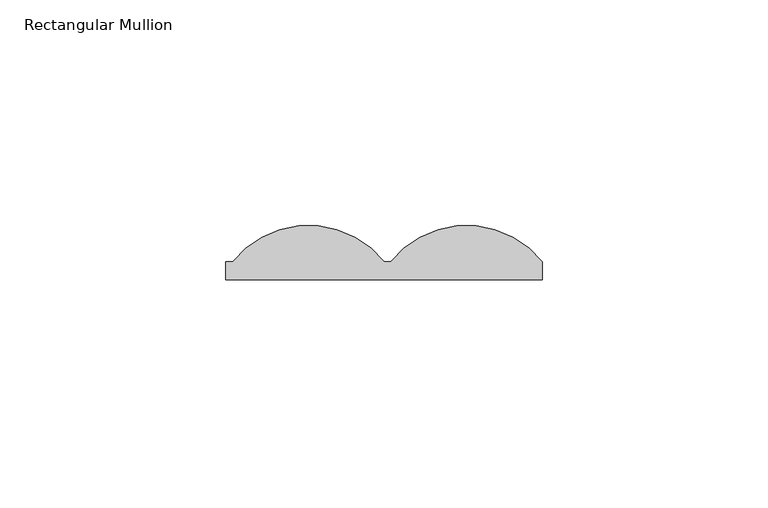
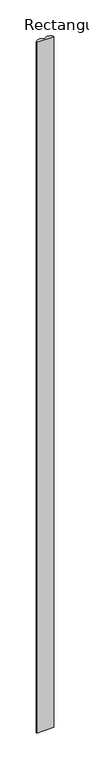
"""IFC4 building model written with IfcOpenShell, lengths in millimetres: member geometry, Rectangular Mullion."""

from ifc_helpers import new_model, si_unit, point, frame, frame_2d, origin, place, context, project, spatial, polyline, circle_curve, trimmed, segment, composite_curve, outline, extrude, source, transform, mapped, element, save


def rectangular_mullion_411609e0(model_context):
    return source(origin(), model_context, "Body", "SweptSolid", [
        extrude(outline(composite_curve([segment(polyline([(0.0, 3.9994695), (1.532743, 3.9994695)]), True, "CONTINUOUS"), segment(trimmed(circle_curve(frame_2d((18.2663715, -9.5)), 21.5), [point((1.532743, 3.9994695))], [point((35.0, 3.9994695))], False, "CARTESIAN"), True, "CONTINUOUS"), segment(polyline([(35.0, 3.9994695), (35.0, 0.0), (-35.0, 0.0), (-35.0, 3.9994695), (-33.467257, 3.9994695)]), True, "CONTINUOUS"), segment(trimmed(circle_curve(frame_2d((-16.7336285, -9.5)), 21.5), [point((-33.467257, 3.9994695))], [point((0.0, 3.9994695))], False, "CARTESIAN"), True, "CONTINUOUS")], self_intersect=False)), frame((0.0, 0.0, -3000.0), z_axis=(0.0, 0.0, 1.0), x_axis=(1.0, 0.0, 0.0)), (0.0, 0.0, 1.0), 3000.0),
    ])


if __name__ == "__main__":
    model = new_model("IFC4")
    model_context = context("Model", 3, world=origin())
    ifc_project = project(units=[si_unit("LENGTHUNIT", "METRE", prefix="MILLI")], contexts=[model_context])
    site = spatial("IfcSite", under=ifc_project)
    building = spatial("IfcBuilding", under=site)
    placement = place(None, origin())
    rectangular_mullion_shape = rectangular_mullion_411609e0(model_context)
    element("IfcMember", 1, ObjectType="Rectangular Mullion", at=placement, inside=building, context=model_context, shape_type="MappedRepresentation", body=[
        mapped(rectangular_mullion_shape, transform((0.0, 0.0, 0.0), x_axis=(1.0, 0.0, 0.0), y_axis=(0.0, 1.0, 0.0), z_axis=(0.0, 0.0, 1.0))),
    ])
    save(model, "model.ifc")
